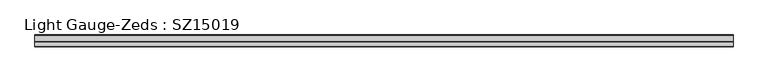
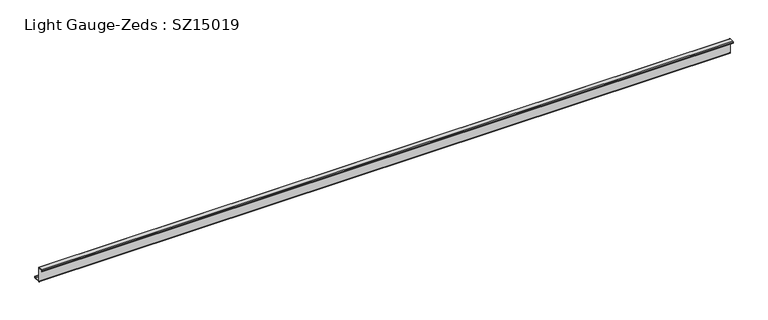
"""IFC4 building model written with IfcOpenShell, lengths in millimetres: beam geometry, Light Gauge-Zeds : SZ15019."""

from ifc_helpers import new_model, si_unit, point, frame, frame_2d, origin, place, context, project, spatial, polyline, circle_curve, trimmed, segment, composite_curve, outline, extrude, source, transform, mapped, element, save


def light_gauge_zeds_sz15019_4354917b(model_context):
    return source(origin(), model_context, "Body", "SweptSolid", [
        extrude(outline(composite_curve([segment(polyline([(0.0, -72.1), (0.0, 72.1)]), True, "CONTINUOUS"), segment(trimmed(circle_curve(frame_2d((-2.0, 72.1)), 2.0), [point((0.0, 72.1))], [point((-2.0, 74.1))], True, "CARTESIAN"), True, "CONTINUOUS"), segment(polyline([(-2.0, 74.1), (-46.6, 74.1)]), True, "CONTINUOUS"), segment(trimmed(circle_curve(frame_2d((-46.6, 72.1)), 2.0), [point((-46.6, 74.1))], [point((-48.6, 72.1))], True, "CARTESIAN"), True, "CONTINUOUS"), segment(polyline([(-48.6, 72.1), (-48.6, 58.0), (-50.5, 58.0), (-50.5, 72.1)]), True, "CONTINUOUS"), segment(trimmed(circle_curve(frame_2d((-46.6, 72.1)), 3.9), [point((-50.5, 72.1))], [point((-46.6, 76.0))], False, "CARTESIAN"), True, "CONTINUOUS"), segment(polyline([(-46.6, 76.0), (-2.0, 76.0)]), True, "CONTINUOUS"), segment(trimmed(circle_curve(frame_2d((-2.0, 72.1)), 3.9), [point((-2.0, 76.0))], [point((1.9, 72.1))], False, "CARTESIAN"), True, "CONTINUOUS"), segment(polyline([(1.9, 72.1), (1.9, -72.1)]), True, "CONTINUOUS"), segment(trimmed(circle_curve(frame_2d((3.9, -72.1)), 2.0), [point((1.9, -72.1))], [point((3.9, -74.1))], True, "CARTESIAN"), True, "CONTINUOUS"), segment(polyline([(3.9, -74.1), (63.6, -74.1)]), True, "CONTINUOUS"), segment(trimmed(circle_curve(frame_2d((63.6, -72.1)), 2.0), [point((63.6, -74.1))], [point((65.6, -72.1))], True, "CARTESIAN"), True, "CONTINUOUS"), segment(polyline([(65.6, -72.1), (65.6, -57.0), (67.5, -57.0), (67.5, -72.1)]), True, "CONTINUOUS"), segment(trimmed(circle_curve(frame_2d((63.6, -72.1)), 3.9), [point((67.5, -72.1))], [point((63.6, -76.0))], False, "CARTESIAN"), True, "CONTINUOUS"), segment(polyline([(63.6, -76.0), (3.9, -76.0)]), True, "CONTINUOUS"), segment(trimmed(circle_curve(frame_2d((3.9, -72.1)), 3.9), [point((3.9, -76.0))], [point((0.0, -72.1))], False, "CARTESIAN"), True, "CONTINUOUS")], self_intersect=False)), frame((-3086.0, 0.0, 0.0), z_axis=(1.0, 0.0, 0.0), x_axis=(0.0, 1.0, 0.0)), (0.0, 0.0, 1.0), 6870.0088469),
    ])


if __name__ == "__main__":
    model = new_model("IFC4")
    model_context = context("Model", 3, world=origin())
    ifc_project = project(units=[si_unit("LENGTHUNIT", "METRE", prefix="MILLI")], contexts=[model_context])
    site = spatial("IfcSite", under=ifc_project)
    building = spatial("IfcBuilding", under=site)
    placement = place(None, origin())
    light_gauge_zeds_sz15019_shape = light_gauge_zeds_sz15019_4354917b(model_context)
    element("IfcBeam", 1, ObjectType="Light Gauge-Zeds : SZ15019", at=placement, inside=building, context=model_context, shape_type="MappedRepresentation", body=[
        mapped(light_gauge_zeds_sz15019_shape, transform((0.0, 0.0, 0.0), x_axis=(1.0, 0.0, 0.0), y_axis=(0.0, 1.0, 0.0), z_axis=(0.0, 0.0, 1.0))),
    ])
    save(model, "model.ifc")
